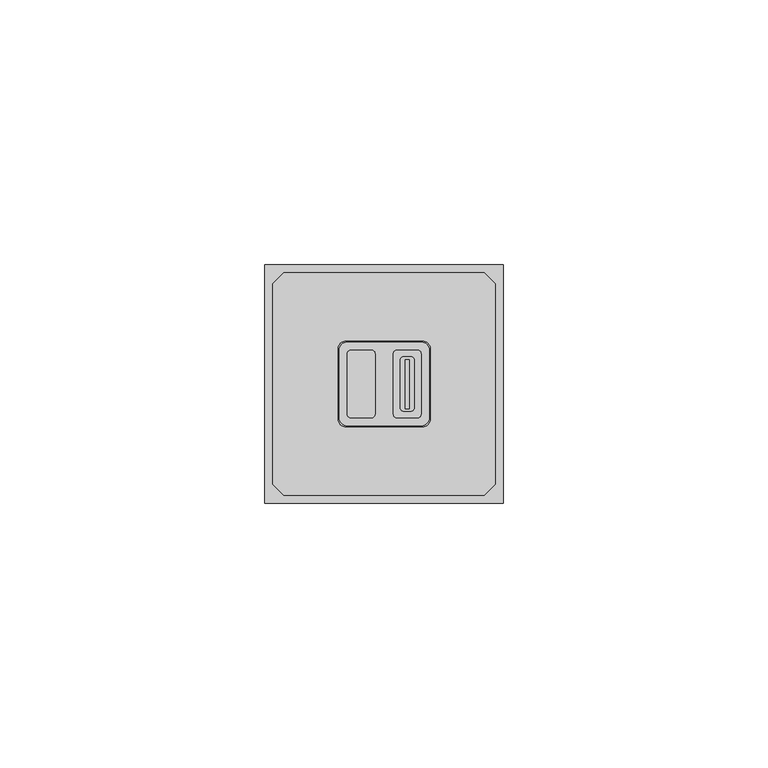
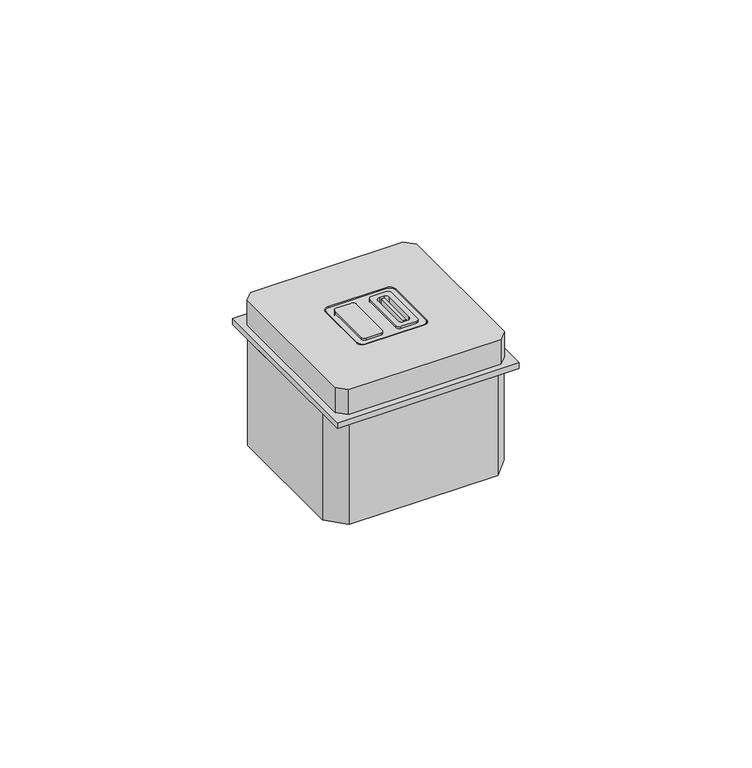
"""IFC4 building model written with IfcOpenShell, lengths in millimetres: proxy geometry."""

from ifc_helpers import new_model, si_unit, point, frame, frame_2d, origin, origin_with_axes, place, context, project, spatial, polyline, circle_curve, trimmed, segment, composite_curve, outline, extrude, source, transform, mapped, element, save


def electrical_fixtures_5259fd8d(model_context):
    return source(origin(), model_context, "Body", "SweptSolid", [
        extrude(outline(composite_curve([segment(polyline([(28.7397222, 16.1), (25.0460028, 16.1)]), True, "CONTINUOUS"), segment(trimmed(circle_curve(frame_2d((25.0460028, 16.8960028)), 0.7960028), [point((25.0460028, 16.1))], [point((24.25, 16.8960028))], False, "CARTESIAN"), True, "CONTINUOUS"), segment(polyline([(24.25, 16.8960028), (24.25, 28.1039972)]), True, "CONTINUOUS"), segment(trimmed(circle_curve(frame_2d((25.0460028, 28.1039972)), 0.7960028), [point((24.25, 28.1039972))], [point((25.0460028, 28.9))], False, "CARTESIAN"), True, "CONTINUOUS"), segment(polyline([(25.0460028, 28.9), (28.7397222, 28.9)]), True, "CONTINUOUS"), segment(trimmed(circle_curve(frame_2d((28.7397222, 28.0897222)), 0.8102778), [point((28.7397222, 28.9))], [point((29.55, 28.0897222))], False, "CARTESIAN"), True, "CONTINUOUS"), segment(polyline([(29.55, 28.0897222), (29.55, 16.9102778)]), True, "CONTINUOUS"), segment(trimmed(circle_curve(frame_2d((28.7397222, 16.9102778)), 0.8102778), [point((29.55, 16.9102778))], [point((28.7397222, 16.1))], False, "CARTESIAN"), True, "CONTINUOUS")], self_intersect=False), holes=[composite_curve([segment(polyline([(28.2491125, 18.1486893), (28.2491125, 26.8695313)]), True, "CONTINUOUS"), segment(trimmed(circle_curve(frame_2d((27.4491125, 26.8695313)), 0.8), [point((28.2491125, 26.8695313))], [point((27.4491125, 27.6695313))], True, "CARTESIAN"), True, "CONTINUOUS"), segment(polyline([(27.4491125, 27.6695313), (26.3366125, 27.6695313)]), True, "CONTINUOUS"), segment(trimmed(circle_curve(frame_2d((26.3366125, 26.8695313)), 0.8), [point((26.3366125, 27.6695313))], [point((25.5366125, 26.8695313))], True, "CARTESIAN"), True, "CONTINUOUS"), segment(polyline([(25.5366125, 26.8695313), (25.5366125, 18.1486893)]), True, "CONTINUOUS"), segment(trimmed(circle_curve(frame_2d((26.3366125, 18.1486893)), 0.8), [point((25.5366125, 18.1486893))], [point((26.3366125, 17.3486893))], True, "CARTESIAN"), True, "CONTINUOUS"), segment(polyline([(26.3366125, 17.3486893), (27.4491125, 17.3486893)]), True, "CONTINUOUS"), segment(trimmed(circle_curve(frame_2d((27.4491125, 18.1486893)), 0.8), [point((27.4491125, 17.3486893))], [point((28.2491125, 18.1486893))], True, "CARTESIAN"), True, "CONTINUOUS")], self_intersect=False)]), frame((0.0, 0.0, 1.5), z_axis=(0.0, 0.0, 1.0), x_axis=(1.0, 0.0, 0.0)), (0.0, 0.0, 1.0), 6.7826876),
        extrude(outline(composite_curve([segment(trimmed(circle_curve(frame_2d((20.0397222, 28.0897222)), 0.8102778), [point((20.0397222, 28.9))], [point((20.85, 28.0897222))], False, "CARTESIAN"), True, "CONTINUOUS"), segment(polyline([(20.85, 28.0897222), (20.85, 16.9102778)]), True, "CONTINUOUS"), segment(trimmed(circle_curve(frame_2d((20.0397222, 16.9102778)), 0.8102778), [point((20.85, 16.9102778))], [point((20.0397222, 16.1))], False, "CARTESIAN"), True, "CONTINUOUS"), segment(polyline([(20.0397222, 16.1), (16.3460028, 16.1)]), True, "CONTINUOUS"), segment(trimmed(circle_curve(frame_2d((16.3460028, 16.8960028)), 0.7960028), [point((16.3460028, 16.1))], [point((15.55, 16.8960028))], False, "CARTESIAN"), True, "CONTINUOUS"), segment(polyline([(15.55, 16.8960028), (15.55, 28.1039972)]), True, "CONTINUOUS"), segment(trimmed(circle_curve(frame_2d((16.3460028, 28.1039972)), 0.7960028), [point((15.55, 28.1039972))], [point((16.3460028, 28.9))], False, "CARTESIAN"), True, "CONTINUOUS"), segment(polyline([(16.3460028, 28.9), (20.0397222, 28.9)]), True, "CONTINUOUS")], self_intersect=False)), frame((0.0, 0.0, 1.5), z_axis=(0.0, 0.0, 1.0), x_axis=(1.0, 0.0, 0.0)), (0.0, 0.0, 1.0), 6.7826876),
        extrude(outline(polyline([(3.6094639, 43.5), (41.3905361, 43.5), (43.5, 41.3905361), (43.5, 3.6094639), (41.3905361, 1.5), (3.6094639, 1.5), (1.5, 3.6094639), (1.5, 41.3905361), (3.6094639, 43.5)]), holes=[composite_curve([segment(trimmed(circle_curve(frame_2d((29.75, 29.1)), 1.5), [point((31.25, 29.1))], [point((29.75, 30.6))], True, "CARTESIAN"), True, "CONTINUOUS"), segment(polyline([(29.75, 30.6), (15.35, 30.6)]), True, "CONTINUOUS"), segment(trimmed(circle_curve(frame_2d((15.35, 29.1)), 1.5), [point((15.35, 30.6))], [point((13.85, 29.1))], True, "CARTESIAN"), True, "CONTINUOUS"), segment(polyline([(13.85, 29.1), (13.85, 15.9)]), True, "CONTINUOUS"), segment(trimmed(circle_curve(frame_2d((15.35, 15.9)), 1.5), [point((13.85, 15.9))], [point((15.35, 14.4))], True, "CARTESIAN"), True, "CONTINUOUS"), segment(polyline([(15.35, 14.4), (29.75, 14.4)]), True, "CONTINUOUS"), segment(trimmed(circle_curve(frame_2d((29.75, 15.9)), 1.5), [point((29.75, 14.4))], [point((31.25, 15.9))], True, "CARTESIAN"), True, "CONTINUOUS"), segment(polyline([(31.25, 15.9), (31.25, 29.1)]), True, "CONTINUOUS")], self_intersect=False)]), frame((0.0, 0.0, 1.5), z_axis=(0.0, 0.0, 1.0), x_axis=(1.0, 0.0, 0.0)), (0.0, 0.0, 1.0), 6.5),
        extrude(outline(composite_curve([segment(trimmed(circle_curve(frame_2d((29.55, 28.9)), 1.5), [point((29.55, 30.4))], [point((31.05, 28.9))], False, "CARTESIAN"), True, "CONTINUOUS"), segment(polyline([(31.05, 28.9), (31.05, 16.1)]), True, "CONTINUOUS"), segment(trimmed(circle_curve(frame_2d((29.55, 16.1)), 1.5), [point((31.05, 16.1))], [point((29.55, 14.6))], False, "CARTESIAN"), True, "CONTINUOUS"), segment(polyline([(29.55, 14.6), (15.55, 14.6)]), True, "CONTINUOUS"), segment(trimmed(circle_curve(frame_2d((15.55, 16.1)), 1.5), [point((15.55, 14.6))], [point((14.05, 16.1))], False, "CARTESIAN"), True, "CONTINUOUS"), segment(polyline([(14.05, 16.1), (14.05, 28.9)]), True, "CONTINUOUS"), segment(trimmed(circle_curve(frame_2d((15.55, 28.9)), 1.5), [point((14.05, 28.9))], [point((15.55, 30.4))], False, "CARTESIAN"), True, "CONTINUOUS"), segment(polyline([(15.55, 30.4), (29.55, 30.4)]), True, "CONTINUOUS")], self_intersect=False), holes=[composite_curve([segment(trimmed(circle_curve(frame_2d((16.3460028, 16.8960028)), 0.7960028), [point((15.55, 16.8960028))], [point((16.3460028, 16.1))], True, "CARTESIAN"), True, "CONTINUOUS"), segment(polyline([(16.3460028, 16.1), (20.0397222, 16.1)]), True, "CONTINUOUS"), segment(trimmed(circle_curve(frame_2d((20.0397222, 16.9102778)), 0.8102778), [point((20.0397222, 16.1))], [point((20.85, 16.9102778))], True, "CARTESIAN"), True, "CONTINUOUS"), segment(polyline([(20.85, 16.9102778), (20.85, 28.0897222)]), True, "CONTINUOUS"), segment(trimmed(circle_curve(frame_2d((20.0397222, 28.0897222)), 0.8102778), [point((20.85, 28.0897222))], [point((20.0397222, 28.9))], True, "CARTESIAN"), True, "CONTINUOUS"), segment(polyline([(20.0397222, 28.9), (16.3460028, 28.9)]), True, "CONTINUOUS"), segment(trimmed(circle_curve(frame_2d((16.3460028, 28.1039972)), 0.7960028), [point((16.3460028, 28.9))], [point((15.55, 28.1039972))], True, "CARTESIAN"), True, "CONTINUOUS"), segment(polyline([(15.55, 28.1039972), (15.55, 16.8960028)]), True, "CONTINUOUS")], self_intersect=False), composite_curve([segment(trimmed(circle_curve(frame_2d((28.7397222, 16.9102778)), 0.8102778), [point((28.7397222, 16.1))], [point((29.55, 16.9102778))], True, "CARTESIAN"), True, "CONTINUOUS"), segment(polyline([(29.55, 16.9102778), (29.55, 28.0897222)]), True, "CONTINUOUS"), segment(trimmed(circle_curve(frame_2d((28.7397222, 28.0897222)), 0.8102778), [point((29.55, 28.0897222))], [point((28.7397222, 28.9))], True, "CARTESIAN"), True, "CONTINUOUS"), segment(polyline([(28.7397222, 28.9), (25.0460028, 28.9)]), True, "CONTINUOUS"), segment(trimmed(circle_curve(frame_2d((25.0460028, 28.1039972)), 0.7960028), [point((25.0460028, 28.9))], [point((24.25, 28.1039972))], True, "CARTESIAN"), True, "CONTINUOUS"), segment(polyline([(24.25, 28.1039972), (24.25, 16.8960028)]), True, "CONTINUOUS"), segment(trimmed(circle_curve(frame_2d((25.0460028, 16.8960028)), 0.7960028), [point((24.25, 16.8960028))], [point((25.0460028, 16.1))], True, "CARTESIAN"), True, "CONTINUOUS"), segment(polyline([(25.0460028, 16.1), (28.7397222, 16.1)]), True, "CONTINUOUS")], self_intersect=False)]), frame((0.0, 0.0, 1.5), z_axis=(0.0, 0.0, 1.0), x_axis=(1.0, 0.0, 0.0)), (0.0, 0.0, 1.0), 6.5),
        extrude(outline(polyline([(27.312851, 27.0534606), (27.312851, 17.8014861), (26.503867, 17.8014861), (26.503867, 27.0534606), (27.312851, 27.0534606)])), origin_with_axes(), (0.0, 0.0, 1.0), 8.2826876),
        extrude(outline(polyline([(0.0, 45.0), (45.0, 45.0), (45.0, 0.0), (0.0, 0.0), (0.0, 45.0)]), holes=[composite_curve([segment(polyline([(15.55, 28.1039972), (15.55, 16.8960028)]), True, "CONTINUOUS"), segment(trimmed(circle_curve(frame_2d((16.3460028, 16.8960028)), 0.7960028), [point((15.55, 16.8960028))], [point((16.3460028, 16.1))], True, "CARTESIAN"), True, "CONTINUOUS"), segment(polyline([(16.3460028, 16.1), (20.0397222, 16.1)]), True, "CONTINUOUS"), segment(trimmed(circle_curve(frame_2d((20.0397222, 16.9102778)), 0.8102778), [point((20.0397222, 16.1))], [point((20.85, 16.9102778))], True, "CARTESIAN"), True, "CONTINUOUS"), segment(polyline([(20.85, 16.9102778), (20.85, 28.0897222)]), True, "CONTINUOUS"), segment(trimmed(circle_curve(frame_2d((20.0397222, 28.0897222)), 0.8102778), [point((20.85, 28.0897222))], [point((20.0397222, 28.9))], True, "CARTESIAN"), True, "CONTINUOUS"), segment(polyline([(20.0397222, 28.9), (16.3460028, 28.9)]), True, "CONTINUOUS"), segment(trimmed(circle_curve(frame_2d((16.3460028, 28.1039972)), 0.7960028), [point((16.3460028, 28.9))], [point((15.55, 28.1039972))], True, "CARTESIAN"), True, "CONTINUOUS")], self_intersect=False), composite_curve([segment(polyline([(24.25, 28.1039972), (24.25, 16.8960028)]), True, "CONTINUOUS"), segment(trimmed(circle_curve(frame_2d((25.0460028, 16.8960028)), 0.7960028), [point((24.25, 16.8960028))], [point((25.0460028, 16.1))], True, "CARTESIAN"), True, "CONTINUOUS"), segment(polyline([(25.0460028, 16.1), (28.7397222, 16.1)]), True, "CONTINUOUS"), segment(trimmed(circle_curve(frame_2d((28.7397222, 16.9102778)), 0.8102778), [point((28.7397222, 16.1))], [point((29.55, 16.9102778))], True, "CARTESIAN"), True, "CONTINUOUS"), segment(polyline([(29.55, 16.9102778), (29.55, 28.0897222)]), True, "CONTINUOUS"), segment(trimmed(circle_curve(frame_2d((28.7397222, 28.0897222)), 0.8102778), [point((29.55, 28.0897222))], [point((28.7397222, 28.9))], True, "CARTESIAN"), True, "CONTINUOUS"), segment(polyline([(28.7397222, 28.9), (25.0460028, 28.9)]), True, "CONTINUOUS"), segment(trimmed(circle_curve(frame_2d((25.0460028, 28.1039972)), 0.7960028), [point((25.0460028, 28.9))], [point((24.25, 28.1039972))], True, "CARTESIAN"), True, "CONTINUOUS")], self_intersect=False)]), origin_with_axes(), (0.0, 0.0, 1.0), 1.5),
        extrude(outline(polyline([(40.9470004, 42.986037), (45.0, 38.5762696), (45.0, 6.4237304), (40.9470004, 2.013963), (4.0529996, 2.013963), (0.0, 6.4237304), (0.0, 38.5762696), (4.0529996, 42.986037), (40.9470004, 42.986037)])), frame((0.0, 0.0, -27.8422687), z_axis=(0.0, 0.0, 1.0), x_axis=(1.0, 0.0, 0.0)), (0.0, 0.0, 1.0), 27.8422687),
        extrude(outline(composite_curve([segment(polyline([(15.55, 30.4), (29.55, 30.4)]), True, "CONTINUOUS"), segment(trimmed(circle_curve(frame_2d((29.55, 28.9)), 1.5), [point((29.55, 30.4))], [point((31.05, 28.9))], False, "CARTESIAN"), True, "CONTINUOUS"), segment(polyline([(31.05, 28.9), (31.05, 16.1)]), True, "CONTINUOUS"), segment(trimmed(circle_curve(frame_2d((29.55, 16.1)), 1.5), [point((31.05, 16.1))], [point((29.55, 14.6))], False, "CARTESIAN"), True, "CONTINUOUS"), segment(polyline([(29.55, 14.6), (15.55, 14.6)]), True, "CONTINUOUS"), segment(trimmed(circle_curve(frame_2d((15.55, 16.1)), 1.5), [point((15.55, 14.6))], [point((14.05, 16.1))], False, "CARTESIAN"), True, "CONTINUOUS"), segment(polyline([(14.05, 16.1), (14.05, 28.9)]), True, "CONTINUOUS"), segment(trimmed(circle_curve(frame_2d((15.55, 28.9)), 1.5), [point((14.05, 28.9))], [point((15.55, 30.4))], False, "CARTESIAN"), True, "CONTINUOUS")], self_intersect=False), holes=[composite_curve([segment(trimmed(circle_curve(frame_2d((16.3460028, 16.8960028)), 0.7960028), [point((15.55, 16.8960028))], [point((16.3460028, 16.1))], True, "CARTESIAN"), True, "CONTINUOUS"), segment(polyline([(16.3460028, 16.1), (20.0397222, 16.1)]), True, "CONTINUOUS"), segment(trimmed(circle_curve(frame_2d((20.0397222, 16.9102778)), 0.8102778), [point((20.0397222, 16.1))], [point((20.85, 16.9102778))], True, "CARTESIAN"), True, "CONTINUOUS"), segment(polyline([(20.85, 16.9102778), (20.85, 28.0897222)]), True, "CONTINUOUS"), segment(trimmed(circle_curve(frame_2d((20.0397222, 28.0897222)), 0.8102778), [point((20.85, 28.0897222))], [point((20.0397222, 28.9))], True, "CARTESIAN"), True, "CONTINUOUS"), segment(polyline([(20.0397222, 28.9), (16.3460028, 28.9)]), True, "CONTINUOUS"), segment(trimmed(circle_curve(frame_2d((16.3460028, 28.1039972)), 0.7960028), [point((16.3460028, 28.9))], [point((15.55, 28.1039972))], True, "CARTESIAN"), True, "CONTINUOUS"), segment(polyline([(15.55, 28.1039972), (15.55, 16.8960028)]), True, "CONTINUOUS")], self_intersect=False), composite_curve([segment(trimmed(circle_curve(frame_2d((28.7397222, 16.9102778)), 0.8102778), [point((28.7397222, 16.1))], [point((29.55, 16.9102778))], True, "CARTESIAN"), True, "CONTINUOUS"), segment(polyline([(29.55, 16.9102778), (29.55, 28.0897222)]), True, "CONTINUOUS"), segment(trimmed(circle_curve(frame_2d((28.7397222, 28.0897222)), 0.8102778), [point((29.55, 28.0897222))], [point((28.7397222, 28.9))], True, "CARTESIAN"), True, "CONTINUOUS"), segment(polyline([(28.7397222, 28.9), (25.0460028, 28.9)]), True, "CONTINUOUS"), segment(trimmed(circle_curve(frame_2d((25.0460028, 28.1039972)), 0.7960028), [point((25.0460028, 28.9))], [point((24.25, 28.1039972))], True, "CARTESIAN"), True, "CONTINUOUS"), segment(polyline([(24.25, 28.1039972), (24.25, 16.8960028)]), True, "CONTINUOUS"), segment(trimmed(circle_curve(frame_2d((25.0460028, 16.8960028)), 0.7960028), [point((24.25, 16.8960028))], [point((25.0460028, 16.1))], True, "CARTESIAN"), True, "CONTINUOUS"), segment(polyline([(25.0460028, 16.1), (28.7397222, 16.1)]), True, "CONTINUOUS")], self_intersect=False)]), frame((0.0, 0.0, 1.5), z_axis=(0.0, 0.0, 1.0), x_axis=(1.0, 0.0, 0.0)), (0.0, 0.0, 1.0), 6.5),
    ])


if __name__ == "__main__":
    model = new_model("IFC4")
    model_context = context("Model", 3, world=origin())
    ifc_project = project(units=[si_unit("LENGTHUNIT", "METRE", prefix="MILLI")], contexts=[model_context])
    site = spatial("IfcSite", under=ifc_project)
    building = spatial("IfcBuilding", under=site)
    placement = place(None, origin())
    electrical_fixtures_shape = electrical_fixtures_5259fd8d(model_context)
    element("IfcBuildingElementProxy", 1, Name="Electrical Fixtures", at=placement, inside=building, context=model_context, shape_type="MappedRepresentation", body=[
        mapped(electrical_fixtures_shape, transform((0.0, 0.0, 0.0), x_axis=(1.0, 0.0, 0.0), y_axis=(0.0, 1.0, 0.0), z_axis=(0.0, 0.0, 1.0))),
    ])
    save(model, "model.ifc")
